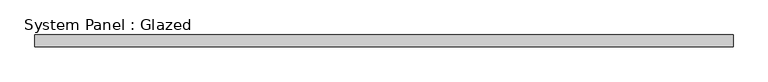
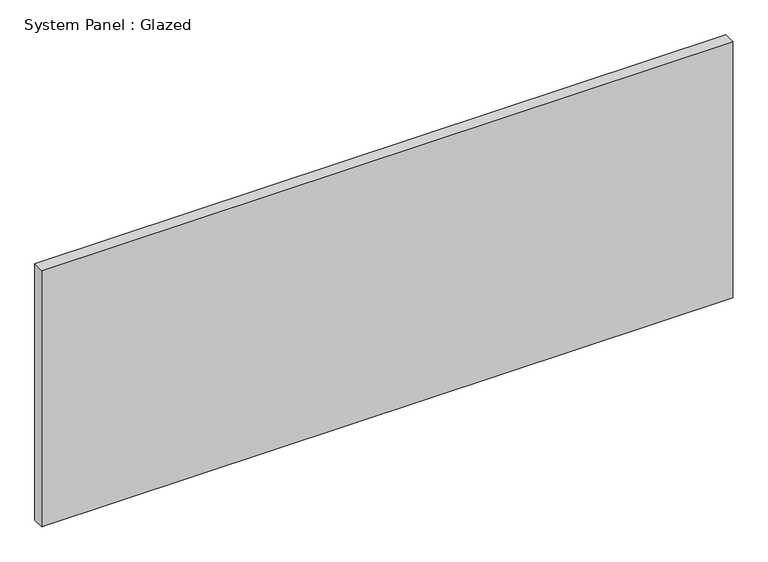
"""IFC4 building model written with IfcOpenShell, lengths in millimetres: plate geometry, System Panel : Glazed."""

import ifcopenshell
import ifcopenshell.guid

model = None  # the IFC model being written
_history = None  # IfcOwnerHistory: only IFC2X3 demands one
_inside = {}  # id of a spatial element -> (the spatial element, [elements in it])
_under = {}  # id of a project, library or spatial element -> (it, [spatial elements below it])
_declared = {}  # id of a project -> (the project, [libraries it declares])
_typed = {}  # id of a type object -> (the type object, [elements of that type])
_made_of = {}  # id of a material, layer set ... -> (it, [elements and type objects made of it])


def new_model(schema):
    """Start an empty IFC model of exactly this schema.

    Asked for "IFC4X3", IfcOpenShell would pick the latest addendum, in which some entities
    have other attributes; the version numbers below select the first issue.
    IFC2X3 requires an IfcOwnerHistory on every rooted entity: one is made here for all.
    """
    global model, _history
    if schema == "IFC4X3":
        model = ifcopenshell.file(schema_version=(4, 3, 0, 0))
    else:
        model = ifcopenshell.file(schema=schema)
    _inside.clear()
    _under.clear()
    _declared.clear()
    _typed.clear()
    _made_of.clear()
    _history = None
    if model.schema == "IFC2X3":
        org = make("IfcOrganization", Name="unknown")
        user = make(
            "IfcPersonAndOrganization",
            ThePerson=make("IfcPerson", FamilyName="unknown"),
            TheOrganization=org,
        )
        app = make(
            "IfcApplication",
            ApplicationDeveloper=org,
            Version="unknown",
            ApplicationFullName="unknown",
            ApplicationIdentifier="unknown",
        )
        _history = make(
            "IfcOwnerHistory",
            OwningUser=user,
            OwningApplication=app,
            ChangeAction="ADDED",
            CreationDate=0,
        )
    return model


def make(cls, **values):
    """One entity of the class cls with the attributes given. An attribute that is None is left unset."""
    return model.create_entity(
        cls, **{name: value for name, value in values.items() if value is not None}
    )


def rooted(cls, **values):
    """An entity with a GlobalId (a new one), such as an element, a storey or a relation."""
    return make(cls, GlobalId=ifcopenshell.guid.new(), OwnerHistory=_history, **values)


def si_unit(unit_type, name, prefix=None):
    """IfcSIUnit, for example si_unit("LENGTHUNIT", "METRE", prefix="MILLI")."""
    return make("IfcSIUnit", UnitType=unit_type, Prefix=prefix, Name=name)


def assignment(units):
    """IfcUnitAssignment: the units of a project."""
    return None if units is None else make("IfcUnitAssignment", Units=units)


def point(xyz):
    """IfcCartesianPoint."""
    return None if xyz is None else make("IfcCartesianPoint", Coordinates=xyz)


def direction(xyz):
    """IfcDirection."""
    return None if xyz is None else make("IfcDirection", DirectionRatios=xyz)


def frame(location, z_axis=None, x_axis=None):
    """IfcAxis2Placement3D, a coordinate frame: its origin and axes. An axis left out is left unset."""
    return make(
        "IfcAxis2Placement3D",
        Location=point(location),
        Axis=direction(z_axis),
        RefDirection=direction(x_axis),
    )


def origin():
    """The frame at (0, 0, 0) with its axes left unset."""
    return frame((0.0, 0.0, 0.0))


def origin_with_axes():
    """The frame at (0, 0, 0) with the z axis (0, 0, 1) and the x axis (1, 0, 0) written out."""
    return frame((0.0, 0.0, 0.0), z_axis=(0.0, 0.0, 1.0), x_axis=(1.0, 0.0, 0.0))


def place(relative_to, where):
    """IfcLocalPlacement: puts the frame where relative to a parent placement (None: the world)."""
    return make(
        "IfcLocalPlacement", PlacementRelTo=relative_to, RelativePlacement=where
    )


def context(
    kind, dimensions, precision=None, world=None, true_north=None, identifier=None
):
    """IfcGeometricRepresentationContext, for example the 3D "Model" context."""
    return make(
        "IfcGeometricRepresentationContext",
        ContextIdentifier=identifier,
        ContextType=kind,
        CoordinateSpaceDimension=dimensions,
        Precision=precision,
        WorldCoordinateSystem=world,
        TrueNorth=true_north,
    )


def project(units=None, contexts=None):
    """IfcProject with its units and contexts."""
    return rooted(
        "IfcProject",
        Name="project",
        RepresentationContexts=contexts,
        UnitsInContext=assignment(units),
    )


def spatial(cls, under=None, at=None, **own):
    """A site, building, storey or space (cls), placed at a placement, below another one or the project."""
    s = rooted(cls, ObjectPlacement=at, **own)
    if under is not None:
        _under.setdefault(under.id(), (under, []))[1].append(s)
    return s


def polyline(points):
    """IfcPolyline through the points."""
    return make("IfcPolyline", Points=[point(p) for p in points])


def outline(outer, holes=None, kind="AREA"):
    """IfcArbitraryClosedProfileDef: a profile drawn as a closed curve; with holes, ...WithVoids."""
    if holes is None:
        return make("IfcArbitraryClosedProfileDef", ProfileType=kind, OuterCurve=outer)
    return make(
        "IfcArbitraryProfileDefWithVoids",
        ProfileType=kind,
        OuterCurve=outer,
        InnerCurves=holes,
    )


def extrude(swept, where, along, depth):
    """IfcExtrudedAreaSolid: the profile swept, set in the frame where, extruded along a direction by depth."""
    return make(
        "IfcExtrudedAreaSolid",
        SweptArea=swept,
        Position=where,
        ExtrudedDirection=direction(along),
        Depth=depth,
    )


def shape(context_of_items, identifier, shape_type, items):
    """IfcShapeRepresentation: the items that make up one representation, for example the "Body"."""
    return make(
        "IfcShapeRepresentation",
        ContextOfItems=context_of_items,
        RepresentationIdentifier=identifier,
        RepresentationType=shape_type,
        Items=items,
    )


def source(mapping_origin, context_of_items, identifier, shape_type, items):
    """IfcRepresentationMap: a shape defined once, which mapped items show again and again."""
    return make(
        "IfcRepresentationMap",
        MappingOrigin=mapping_origin,
        MappedRepresentation=shape(context_of_items, identifier, shape_type, items),
    )


def transform(
    local_origin,
    x_axis=None,
    y_axis=None,
    z_axis=None,
    scale=None,
    scale2=None,
    scale3=None,
    uniform=True,
):
    """IfcCartesianTransformationOperator3D, or its non-uniform kind. x_axis, y_axis, z_axis: its Axis1, 2, 3."""
    if uniform:
        return make(
            "IfcCartesianTransformationOperator3D",
            Axis1=direction(x_axis),
            Axis2=direction(y_axis),
            LocalOrigin=point(local_origin),
            Scale=scale,
            Axis3=direction(z_axis),
        )
    return make(
        "IfcCartesianTransformationOperator3DnonUniform",
        Axis1=direction(x_axis),
        Axis2=direction(y_axis),
        LocalOrigin=point(local_origin),
        Scale=scale,
        Axis3=direction(z_axis),
        Scale2=scale2,
        Scale3=scale3,
    )


def mapped(mapping_source, mapping_target):
    """IfcMappedItem: shows the shape of a source again, moved by a transform."""
    return make(
        "IfcMappedItem", MappingSource=mapping_source, MappingTarget=mapping_target
    )


def made_of(thing, what):
    """Note that an element or type object is made of a material, layer set ...; save() writes the relation."""
    if what is not None:
        _made_of.setdefault(what.id(), (what, []))[1].append(thing)
    return thing


def element(
    cls,
    number,
    at=None,
    inside=None,
    cuts=None,
    type_object=None,
    material=None,
    context=None,
    identifier="Body",
    shape_type=None,
    held_by="IfcProductDefinitionShape",
    body=None,
    shapes=None,
    **own,
):
    """One element of the class cls, such as IfcWall. Its Tag is "e" and its number.

    at: its placement. inside: the storey or other place that contains it. cuts: it is an
    opening in that element (IfcRelVoidsElement). A single representation is given by context,
    identifier, shape_type and body (its items); several are given by shapes. held_by: the class
    of the entity that holds the representations. save() writes the other relations.
    """
    e = rooted(cls, Tag="e%d" % number, ObjectPlacement=at, **own)
    if body is not None:
        shapes = [shape(context, identifier, shape_type, body)]
    if shapes is not None:
        e.Representation = make(held_by, Representations=shapes)
    if inside is not None:
        _inside.setdefault(inside.id(), (inside, []))[1].append(e)
    if cuts is not None:
        rooted(
            "IfcRelVoidsElement", RelatingBuildingElement=cuts, RelatedOpeningElement=e
        )
    if type_object is not None:
        _typed.setdefault(type_object.id(), (type_object, []))[1].append(e)
    return made_of(e, material)


def aggregate(whole, parts):
    """IfcRelAggregates: a whole, such as a stair, and the parts it consists of."""
    return rooted("IfcRelAggregates", RelatingObject=whole, RelatedObjects=parts)


def save(model, path):
    """Write the relations noted so far, then the file.

    IfcRelAggregates (storeys below a building ...), IfcRelContainedInSpatialStructure (elements
    in a storey), IfcRelDefinesByType, IfcRelAssociatesMaterial and IfcRelDeclares: one each for
    every whole, place, type object, material and project.
    """
    for whole, parts in _under.values():
        aggregate(whole, parts)
    for where, things in _inside.values():
        rooted(
            "IfcRelContainedInSpatialStructure",
            RelatedElements=things,
            RelatingStructure=where,
        )
    for kind, things in _typed.values():
        rooted("IfcRelDefinesByType", RelatedObjects=things, RelatingType=kind)
    for what, things in _made_of.values():
        rooted("IfcRelAssociatesMaterial", RelatedObjects=things, RelatingMaterial=what)
    for by, libraries in _declared.values():
        rooted("IfcRelDeclares", RelatingContext=by, RelatedDefinitions=libraries)
    model.write(path)


def system_panel_glazed_72237fa4(model_context):
    return source(origin(), model_context, "Body", "SweptSolid", [
        extrude(outline(polyline([(762.0, 19.05), (-762.0, 19.05), (-762.0, 44.45), (762.0, 44.45), (762.0, 19.05)])), origin_with_axes(), (0.0, 0.0, 1.0), 596.9),
    ])


if __name__ == "__main__":
    model = new_model("IFC4")
    model_context = context("Model", 3, world=origin())
    ifc_project = project(units=[si_unit("LENGTHUNIT", "METRE", prefix="MILLI")], contexts=[model_context])
    site = spatial("IfcSite", under=ifc_project)
    building = spatial("IfcBuilding", under=site)
    placement = place(None, origin())
    system_panel_glazed_shape = system_panel_glazed_72237fa4(model_context)
    element("IfcPlate", 1, ObjectType="System Panel : Glazed", at=placement, inside=building, context=model_context, shape_type="MappedRepresentation", body=[
        mapped(system_panel_glazed_shape, transform((0.0, 0.0, 0.0), x_axis=(1.0, 0.0, 0.0), y_axis=(0.0, 1.0, 0.0), z_axis=(0.0, 0.0, 1.0))),
    ])
    save(model, "model.ifc")
